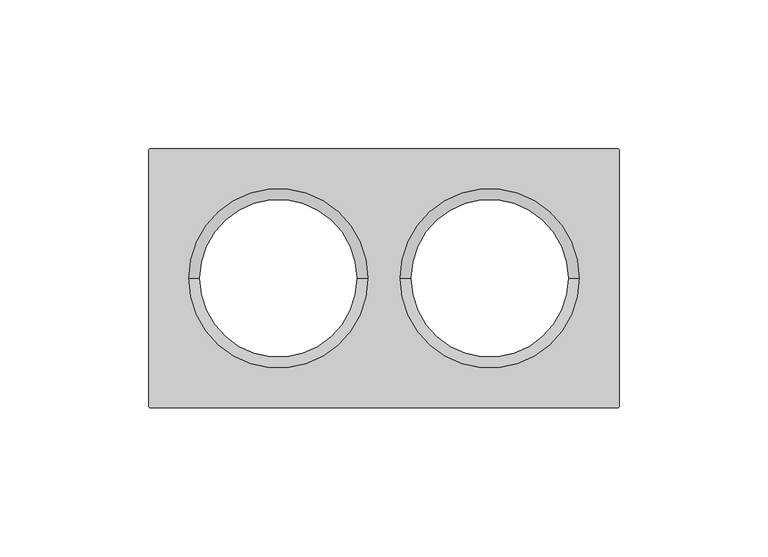
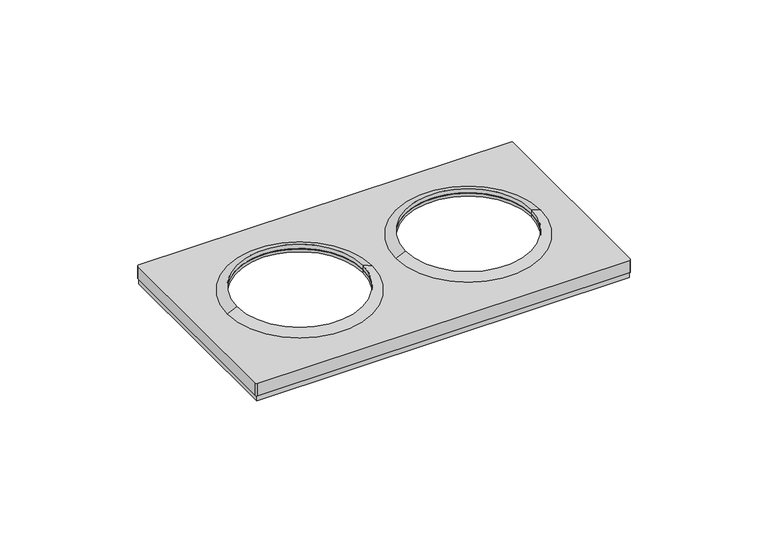
"""IFC4 building model written with IfcOpenShell, lengths in millimetres: proxy geometry."""

from ifc_helpers import new_model, si_unit, frame, origin, origin_with_axes, place, context, project, spatial, polyline, circle_curve, outline, extrude, source, transform, mapped, element, save
from ifc_brep_helpers import plane_surface, cylinder_surface, revolved_surface, advanced_brep


def electrical_fixtures_bd0a4c50(model_context):
    return source(origin(), model_context, "Body", "SolidModel", [
        advanced_brep(
        [(-79.0, -42.9369707, 8.0076008), (-78.4369707, -43.5, 8.0076008), (78.4369707, -43.5, 8.0076008), (79.0, -42.9369707, 8.0076008), (79.0, 42.9369707, 8.0076008), (78.4369707, 43.5, 8.0076008), (-78.4369707, 43.5, 8.0076008), (-79.0, 42.9369707, 8.0076008), (-62.0, 0.0, 8.0076008), (-9.0, 0.0, 8.0076008), (9.0, 0.0, 8.0076008), (62.0, 0.0, 8.0076008), (-79.0, -42.9369707, 2.5), (-79.0, 42.9369707, 2.5), (-78.4369707, 43.5, 2.5), (78.4369707, 43.5, 2.5), (79.0, 42.9369707, 2.5), (79.0, -42.9369707, 2.5), (78.4369707, -43.5, 2.5), (-78.4369707, -43.5, 2.5), (78.0, 42.5, 2.5), (-78.0, 42.5, 2.5), (-78.0, -42.5, 2.5), (78.0, -42.5, 2.5), (-62.0, 0.0, 6.7956384), (-9.0, 0.0, 6.7956384), (78.0, 42.5, 6.7956384), (78.0, -42.5, 6.7956384), (-78.0, -42.5, 6.7956384), (-78.0, 42.5, 6.7956384), (62.0, 0.0, 6.7956384), (9.0, 0.0, 6.7956384)],
        [
            (0, 1, circle_curve(frame((-78.4369707, -42.9369707, 8.0076008), z_axis=(0.0, 0.0, 1.0), x_axis=(1.0, 0.0, 0.0)), 0.5630293)),
            (1, 2),
            (2, 3, circle_curve(frame((78.4369707, -42.9369707, 8.0076008), z_axis=(0.0, 0.0, 1.0), x_axis=(-1.0, 0.0, 0.0)), 0.5630293)),
            (3, 4),
            (4, 5, circle_curve(frame((78.4369707, 42.9369707, 8.0076008), z_axis=(0.0, 0.0, 1.0), x_axis=(-1.0, 0.0, 0.0)), 0.5630293)),
            (5, 6),
            (6, 7, circle_curve(frame((-78.4369707, 42.9369707, 8.0076008), z_axis=(0.0, 0.0, 1.0), x_axis=(1.0, 0.0, 0.0)), 0.5630293)),
            (7, 0),
            (8, 9, circle_curve(frame((-35.5, 0.0, 8.0076008), z_axis=(0.0, 0.0, -1.0), x_axis=(-1.0, 0.0, 0.0)), 26.5)),
            (9, 8, circle_curve(frame((-35.5, 0.0, 8.0076008), z_axis=(0.0, 0.0, -1.0), x_axis=(-1.0, 0.0, 0.0)), 26.5)),
            (10, 11, circle_curve(frame((35.5, 0.0, 8.0076008), z_axis=(0.0, 0.0, -1.0), x_axis=(-1.0, 0.0, 0.0)), 26.5)),
            (11, 10, circle_curve(frame((35.5, 0.0, 8.0076008), z_axis=(0.0, 0.0, -1.0), x_axis=(-1.0, 0.0, 0.0)), 26.5)),
            (12, 13),
            (13, 14, circle_curve(frame((-78.4369707, 42.9369707, 2.5), z_axis=(0.0, 0.0, -1.0), x_axis=(1.0, 0.0, 0.0)), 0.5630293)),
            (14, 15),
            (15, 16, circle_curve(frame((78.4369707, 42.9369707, 2.5), z_axis=(0.0, 0.0, -1.0), x_axis=(-1.0, 0.0, 0.0)), 0.5630293)),
            (16, 17),
            (17, 18, circle_curve(frame((78.4369707, -42.9369707, 2.5), z_axis=(0.0, 0.0, -1.0), x_axis=(-1.0, 0.0, 0.0)), 0.5630293)),
            (18, 19),
            (19, 12, circle_curve(frame((-78.4369707, -42.9369707, 2.5), z_axis=(0.0, 0.0, -1.0), x_axis=(1.0, 0.0, 0.0)), 0.5630293)),
            (20, 21),
            (21, 22),
            (22, 23),
            (23, 20),
            (0, 12),
            (19, 1),
            (18, 2),
            (17, 3),
            (16, 4),
            (15, 5),
            (14, 6),
            (13, 7),
            (8, 24),
            (24, 25, circle_curve(frame((-35.5, 0.0, 6.7956384), z_axis=(0.0, 0.0, -1.0), x_axis=(-1.0, 0.0, 0.0)), 26.5)),
            (25, 9),
            (25, 24, circle_curve(frame((-35.5, 0.0, 6.7956384), z_axis=(0.0, 0.0, -1.0), x_axis=(-1.0, 0.0, 0.0)), 26.5)),
            (26, 27),
            (27, 28),
            (28, 29),
            (29, 26),
            (30, 31, circle_curve(frame((35.5, 0.0, 6.7956384), z_axis=(0.0, 0.0, 1.0), x_axis=(-1.0, 0.0, 0.0)), 26.5)),
            (31, 30, circle_curve(frame((35.5, 0.0, 6.7956384), z_axis=(0.0, 0.0, 1.0), x_axis=(-1.0, 0.0, 0.0)), 26.5)),
            (29, 21),
            (20, 26),
            (28, 22),
            (27, 23),
            (30, 11),
            (10, 31),
        ],
        [
            plane_surface(frame((-77.8739414, -42.9369707, 8.0076008), z_axis=(0.0, 0.0, 1.0), x_axis=(0.0, 1.0, 0.0))),
            plane_surface(frame((-77.8739414, -42.9369707, 2.5), z_axis=(0.0, 0.0, -1.0), x_axis=(0.0, -1.0, 0.0))),
            cylinder_surface(frame((-78.4369707, -42.9369707, 2.5), z_axis=(0.0, 0.0, 1.0), x_axis=(1.0, 0.0, 0.0)), 0.5630293),
            plane_surface(frame((-78.4369707, -43.5, 8.0076008), z_axis=(0.0, -1.0, 0.0), x_axis=(0.0, 0.0, -1.0))),
            cylinder_surface(frame((78.4369707, -42.9369707, 2.5), z_axis=(0.0, 0.0, 1.0), x_axis=(-1.0, 0.0, 0.0)), 0.5630293),
            plane_surface(frame((79.0, -42.9369707, 8.0076008), z_axis=(1.0, 0.0, 0.0), x_axis=(0.0, 0.0, -1.0))),
            cylinder_surface(frame((78.4369707, 42.9369707, 2.5), z_axis=(0.0, 0.0, 1.0), x_axis=(-1.0, 0.0, 0.0)), 0.5630293),
            plane_surface(frame((78.4369707, 43.5, 8.0076008), z_axis=(0.0, 1.0, 0.0), x_axis=(0.0, 0.0, -1.0))),
            cylinder_surface(frame((-78.4369707, 42.9369707, 2.5), z_axis=(0.0, 0.0, 1.0), x_axis=(1.0, 0.0, 0.0)), 0.5630293),
            plane_surface(frame((-79.0, 42.9369707, 8.0076008), z_axis=(-1.0, 0.0, 0.0), x_axis=(0.0, 0.0, -1.0))),
            revolved_surface(polyline([(-62.0, 0.0, 8.0076008), (-62.0, 0.0, 6.7956384)]), (-35.5, 0.0, 0.0), (0.0, 0.0, 1.0)),
            plane_surface(frame((-42.5, 42.5, 6.7956384), z_axis=(0.0, 0.0, -1.0), x_axis=(-1.0, 0.0, 0.0))),
            plane_surface(frame((78.0, 42.5, 6.7956384), z_axis=(0.0, -1.0, 0.0), x_axis=(0.0, 0.0, -1.0))),
            plane_surface(frame((-78.0, 42.5, 6.7956384), z_axis=(1.0, 0.0, 0.0), x_axis=(0.0, 0.0, -1.0))),
            plane_surface(frame((-78.0, -42.5, 6.7956384), z_axis=(0.0, 1.0, 0.0), x_axis=(0.0, 0.0, -1.0))),
            plane_surface(frame((78.0, -42.5, 6.7956384), z_axis=(-1.0, 0.0, 0.0), x_axis=(0.0, 0.0, -1.0))),
            revolved_surface(polyline([(9.0, 0.0, 8.0076008), (9.0, 0.0, 6.7956384)]), (35.5, 0.0, 0.0), (0.0, 0.0, 1.0)),
        ],
        [
            (0, [[1, 2, 3, 4, 5, 6, 7, 8], [9, 10], [11, 12]]),
            (1, [[13, 14, 15, 16, 17, 18, 19, 20], [21, 22, 23, 24]]),
            (2, [[-1, 25, -20, 26]]),
            (3, [[-2, -26, -19, 27]]),
            (4, [[-3, -27, -18, 28]]),
            (5, [[-4, -28, -17, 29]]),
            (6, [[-5, -29, -16, 30]]),
            (7, [[-6, -30, -15, 31]]),
            (8, [[-7, -31, -14, 32]]),
            (9, [[-8, -32, -13, -25]]),
            (10, [[-9, 33, 34, 35]]),
            (10, [[-10, -35, 36, -33]]),
            (11, [[37, 38, 39, 40], [-34, -36], [41, 42]]),
            (12, [[-40, 43, -21, 44]]),
            (13, [[-39, 45, -22, -43]]),
            (14, [[-38, 46, -23, -45]]),
            (15, [[-37, -44, -24, -46]]),
            (16, [[47, -11, 48, -41]]),
            (16, [[-47, -42, -48, -12]]),
        ],
    ),
        advanced_brep(
        [(-4.2158437, 0.0, 8.0076008), (-66.7841563, 0.0, 8.0076008), (-62.0, 0.0, 10.1), (-9.0, 0.0, 10.1), (-9.0, 0.0, 8.0076008), (-62.0, 0.0, 8.0076008)],
        [
            (0, 1, circle_curve(frame((-35.5, 0.0, 8.0076008), z_axis=(0.0, 0.0, 1.0), x_axis=(-1.0, 0.0, 0.0)), 31.2841563)),
            (1, 2),
            (2, 3, circle_curve(frame((-35.5, 0.0, 10.1), z_axis=(0.0, 0.0, -1.0), x_axis=(-1.0, 0.0, 0.0)), 26.5)),
            (3, 0),
            (1, 0, circle_curve(frame((-35.5, 0.0, 8.0076008), z_axis=(0.0, 0.0, 1.0), x_axis=(-1.0, 0.0, 0.0)), 31.2841563)),
            (3, 2, circle_curve(frame((-35.5, 0.0, 10.1), z_axis=(0.0, 0.0, -1.0), x_axis=(-1.0, 0.0, 0.0)), 26.5)),
            (0, 4),
            (4, 5, circle_curve(frame((-35.5, 0.0, 8.0076008), z_axis=(0.0, 0.0, 1.0), x_axis=(-1.0, 0.0, 0.0)), 26.5)),
            (5, 1),
            (5, 4, circle_curve(frame((-35.5, 0.0, 8.0076008), z_axis=(0.0, 0.0, 1.0), x_axis=(-1.0, 0.0, 0.0)), 26.5)),
            (2, 5),
            (4, 3),
        ],
        [
            revolved_surface(polyline([(-62.0, 0.0, 10.1), (-66.7841563, 0.0, 8.0076008)]), (-35.5, 0.0, 2609.0581012), (0.0, 0.0, -1.0)),
            plane_surface(frame((-35.5, 0.0, 8.0076008), z_axis=(0.0, 0.0, -1.0), x_axis=(-1.0, 0.0, 0.0))),
            revolved_surface(polyline([(-62.0, 0.0, 8.007600800000091), (-62.0, 0.0, 10.099999999999909)]), (-35.5, 0.0, 2609.0581012), (0.0, 0.0, -1.0)),
        ],
        [
            (0, [[1, 2, 3, 4]]),
            (0, [[-2, 5, -4, 6]]),
            (1, [[-1, 7, 8, 9]]),
            (1, [[-5, -9, 10, -7]]),
            (2, [[-3, 11, -8, 12]]),
            (2, [[-6, -12, -10, -11]]),
        ],
    ),
        advanced_brep(
        [(66.7841563, 0.0, 8.0076008), (4.2158437, 0.0, 8.0076008), (9.0, 0.0, 10.1), (62.0, 0.0, 10.1), (62.0, 0.0, 8.0076008), (9.0, 0.0, 8.0076008)],
        [
            (0, 1, circle_curve(frame((35.5, 0.0, 8.0076008), z_axis=(0.0, 0.0, 1.0), x_axis=(-1.0, 0.0, 0.0)), 31.2841563)),
            (1, 2),
            (2, 3, circle_curve(frame((35.5, 0.0, 10.1), z_axis=(0.0, 0.0, -1.0), x_axis=(-1.0, 0.0, 0.0)), 26.5)),
            (3, 0),
            (1, 0, circle_curve(frame((35.5, 0.0, 8.0076008), z_axis=(0.0, 0.0, 1.0), x_axis=(-1.0, 0.0, 0.0)), 31.2841563)),
            (3, 2, circle_curve(frame((35.5, 0.0, 10.1), z_axis=(0.0, 0.0, -1.0), x_axis=(-1.0, 0.0, 0.0)), 26.5)),
            (4, 5, circle_curve(frame((35.5, 0.0, 8.0076008), z_axis=(0.0, 0.0, 1.0), x_axis=(-1.0, 0.0, 0.0)), 26.5)),
            (5, 1),
            (0, 4),
            (5, 4, circle_curve(frame((35.5, 0.0, 8.0076008), z_axis=(0.0, 0.0, 1.0), x_axis=(-1.0, 0.0, 0.0)), 26.5)),
            (2, 5),
            (4, 3),
        ],
        [
            revolved_surface(polyline([(9.0, 0.0, 10.1), (4.2158437, 0.0, 8.0076008)]), (35.5, 0.0, 2609.0581012), (0.0, 0.0, -1.0)),
            plane_surface(frame((35.5, 0.0, 8.0076008), z_axis=(0.0, 0.0, -1.0), x_axis=(-1.0, 0.0, 0.0))),
            revolved_surface(polyline([(9.0, 0.0, 8.007600800000091), (9.0, 0.0, 10.099999999999909)]), (35.5, 0.0, 2609.0581012), (0.0, 0.0, -1.0)),
        ],
        [
            (0, [[1, 2, 3, 4]]),
            (0, [[5, -4, 6, -2]]),
            (1, [[7, 8, -1, 9]]),
            (1, [[10, -9, -5, -8]]),
            (2, [[-3, 11, -7, 12]]),
            (2, [[-6, -12, -10, -11]]),
        ],
    ),
        extrude(outline(polyline([(-78.5, -43.0), (-78.5, 43.0), (78.5, 43.0), (78.5, -43.0), (-78.5, -43.0)]), holes=[polyline([(-78.0, -42.5), (78.0, -42.5), (78.0, 42.5), (-78.0, 42.5), (-78.0, -42.5)])]), origin_with_axes(), (0.0, 0.0, 1.0), 2.5),
    ])


if __name__ == "__main__":
    model = new_model("IFC4")
    model_context = context("Model", 3, world=origin())
    ifc_project = project(units=[si_unit("LENGTHUNIT", "METRE", prefix="MILLI")], contexts=[model_context])
    site = spatial("IfcSite", under=ifc_project)
    building = spatial("IfcBuilding", under=site)
    placement = place(None, origin())
    electrical_fixtures_shape = electrical_fixtures_bd0a4c50(model_context)
    element("IfcBuildingElementProxy", 1, Name="Electrical Fixtures", at=placement, inside=building, context=model_context, shape_type="MappedRepresentation", body=[
        mapped(electrical_fixtures_shape, transform((0.0, 0.0, 0.0), x_axis=(1.0, 0.0, 0.0), y_axis=(0.0, 1.0, 0.0), z_axis=(0.0, 0.0, 1.0))),
    ])
    save(model, "model.ifc")
